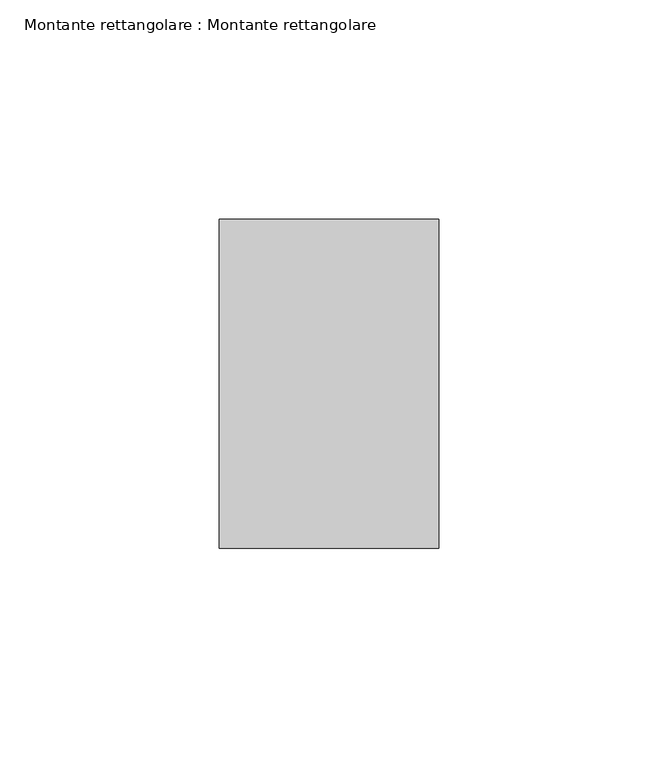
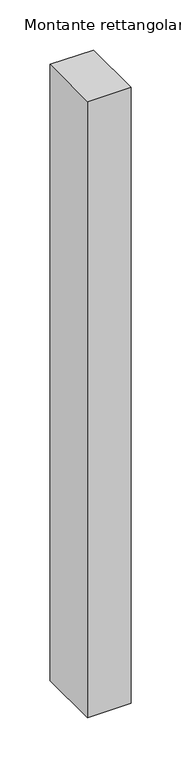
"""IFC4 building model written with IfcOpenShell, lengths in millimetres: member geometry, Montante rettangolare : Montante rettangolare."""

import ifcopenshell
import ifcopenshell.guid

model = None  # the IFC model being written
_history = None  # IfcOwnerHistory: only IFC2X3 demands one
_inside = {}  # id of a spatial element -> (the spatial element, [elements in it])
_under = {}  # id of a project, library or spatial element -> (it, [spatial elements below it])
_declared = {}  # id of a project -> (the project, [libraries it declares])
_typed = {}  # id of a type object -> (the type object, [elements of that type])
_made_of = {}  # id of a material, layer set ... -> (it, [elements and type objects made of it])


def new_model(schema):
    """Start an empty IFC model of exactly this schema.

    Asked for "IFC4X3", IfcOpenShell would pick the latest addendum, in which some entities
    have other attributes; the version numbers below select the first issue.
    IFC2X3 requires an IfcOwnerHistory on every rooted entity: one is made here for all.
    """
    global model, _history
    if schema == "IFC4X3":
        model = ifcopenshell.file(schema_version=(4, 3, 0, 0))
    else:
        model = ifcopenshell.file(schema=schema)
    _inside.clear()
    _under.clear()
    _declared.clear()
    _typed.clear()
    _made_of.clear()
    _history = None
    if model.schema == "IFC2X3":
        org = make("IfcOrganization", Name="unknown")
        user = make(
            "IfcPersonAndOrganization",
            ThePerson=make("IfcPerson", FamilyName="unknown"),
            TheOrganization=org,
        )
        app = make(
            "IfcApplication",
            ApplicationDeveloper=org,
            Version="unknown",
            ApplicationFullName="unknown",
            ApplicationIdentifier="unknown",
        )
        _history = make(
            "IfcOwnerHistory",
            OwningUser=user,
            OwningApplication=app,
            ChangeAction="ADDED",
            CreationDate=0,
        )
    return model


def make(cls, **values):
    """One entity of the class cls with the attributes given. An attribute that is None is left unset."""
    return model.create_entity(
        cls, **{name: value for name, value in values.items() if value is not None}
    )


def rooted(cls, **values):
    """An entity with a GlobalId (a new one), such as an element, a storey or a relation."""
    return make(cls, GlobalId=ifcopenshell.guid.new(), OwnerHistory=_history, **values)


def si_unit(unit_type, name, prefix=None):
    """IfcSIUnit, for example si_unit("LENGTHUNIT", "METRE", prefix="MILLI")."""
    return make("IfcSIUnit", UnitType=unit_type, Prefix=prefix, Name=name)


def assignment(units):
    """IfcUnitAssignment: the units of a project."""
    return None if units is None else make("IfcUnitAssignment", Units=units)


def point(xyz):
    """IfcCartesianPoint."""
    return None if xyz is None else make("IfcCartesianPoint", Coordinates=xyz)


def direction(xyz):
    """IfcDirection."""
    return None if xyz is None else make("IfcDirection", DirectionRatios=xyz)


def frame(location, z_axis=None, x_axis=None):
    """IfcAxis2Placement3D, a coordinate frame: its origin and axes. An axis left out is left unset."""
    return make(
        "IfcAxis2Placement3D",
        Location=point(location),
        Axis=direction(z_axis),
        RefDirection=direction(x_axis),
    )


def origin():
    """The frame at (0, 0, 0) with its axes left unset."""
    return frame((0.0, 0.0, 0.0))


def place(relative_to, where):
    """IfcLocalPlacement: puts the frame where relative to a parent placement (None: the world)."""
    return make(
        "IfcLocalPlacement", PlacementRelTo=relative_to, RelativePlacement=where
    )


def context(
    kind, dimensions, precision=None, world=None, true_north=None, identifier=None
):
    """IfcGeometricRepresentationContext, for example the 3D "Model" context."""
    return make(
        "IfcGeometricRepresentationContext",
        ContextIdentifier=identifier,
        ContextType=kind,
        CoordinateSpaceDimension=dimensions,
        Precision=precision,
        WorldCoordinateSystem=world,
        TrueNorth=true_north,
    )


def project(units=None, contexts=None):
    """IfcProject with its units and contexts."""
    return rooted(
        "IfcProject",
        Name="project",
        RepresentationContexts=contexts,
        UnitsInContext=assignment(units),
    )


def spatial(cls, under=None, at=None, **own):
    """A site, building, storey or space (cls), placed at a placement, below another one or the project."""
    s = rooted(cls, ObjectPlacement=at, **own)
    if under is not None:
        _under.setdefault(under.id(), (under, []))[1].append(s)
    return s


def faces_of(points, faces, orient=None, outer=None):
    """IfcFace entities. A face is a list of loops; a loop is a list of indices into points, from 0.

    orient and outer hold one flag for each loop. By default every Orientation is true, the
    first loop of a face is its IfcFaceOuterBound and the others are IfcFaceBound.
    """
    made = []
    for i, loops in enumerate(faces):
        bounds = []
        for j, loop in enumerate(loops):
            is_outer = j == 0 if outer is None else outer[i][j]
            bounds.append(
                make(
                    "IfcFaceOuterBound" if is_outer else "IfcFaceBound",
                    Bound=make("IfcPolyLoop", Polygon=[points[k] for k in loop]),
                    Orientation=True if orient is None else orient[i][j],
                )
            )
        made.append(make("IfcFace", Bounds=bounds))
    return made


def faceted_brep(points, faces, orient=None, outer=None, voids=None):
    """IfcFacetedBrep: a solid bounded by flat faces; with voids (closed shells), ...WithVoids."""
    shared = [point(p) for p in points]
    hull = make("IfcClosedShell", CfsFaces=faces_of(shared, faces, orient, outer))
    if voids is None:
        return make("IfcFacetedBrep", Outer=hull)
    return make(
        "IfcFacetedBrepWithVoids",
        Outer=hull,
        Voids=[
            make(cls, CfsFaces=faces_of(shared, fs, o, b)) for cls, fs, o, b in voids
        ],
    )


def shape(context_of_items, identifier, shape_type, items):
    """IfcShapeRepresentation: the items that make up one representation, for example the "Body"."""
    return make(
        "IfcShapeRepresentation",
        ContextOfItems=context_of_items,
        RepresentationIdentifier=identifier,
        RepresentationType=shape_type,
        Items=items,
    )


def source(mapping_origin, context_of_items, identifier, shape_type, items):
    """IfcRepresentationMap: a shape defined once, which mapped items show again and again."""
    return make(
        "IfcRepresentationMap",
        MappingOrigin=mapping_origin,
        MappedRepresentation=shape(context_of_items, identifier, shape_type, items),
    )


def transform(
    local_origin,
    x_axis=None,
    y_axis=None,
    z_axis=None,
    scale=None,
    scale2=None,
    scale3=None,
    uniform=True,
):
    """IfcCartesianTransformationOperator3D, or its non-uniform kind. x_axis, y_axis, z_axis: its Axis1, 2, 3."""
    if uniform:
        return make(
            "IfcCartesianTransformationOperator3D",
            Axis1=direction(x_axis),
            Axis2=direction(y_axis),
            LocalOrigin=point(local_origin),
            Scale=scale,
            Axis3=direction(z_axis),
        )
    return make(
        "IfcCartesianTransformationOperator3DnonUniform",
        Axis1=direction(x_axis),
        Axis2=direction(y_axis),
        LocalOrigin=point(local_origin),
        Scale=scale,
        Axis3=direction(z_axis),
        Scale2=scale2,
        Scale3=scale3,
    )


def mapped(mapping_source, mapping_target):
    """IfcMappedItem: shows the shape of a source again, moved by a transform."""
    return make(
        "IfcMappedItem", MappingSource=mapping_source, MappingTarget=mapping_target
    )


def made_of(thing, what):
    """Note that an element or type object is made of a material, layer set ...; save() writes the relation."""
    if what is not None:
        _made_of.setdefault(what.id(), (what, []))[1].append(thing)
    return thing


def element(
    cls,
    number,
    at=None,
    inside=None,
    cuts=None,
    type_object=None,
    material=None,
    context=None,
    identifier="Body",
    shape_type=None,
    held_by="IfcProductDefinitionShape",
    body=None,
    shapes=None,
    **own,
):
    """One element of the class cls, such as IfcWall. Its Tag is "e" and its number.

    at: its placement. inside: the storey or other place that contains it. cuts: it is an
    opening in that element (IfcRelVoidsElement). A single representation is given by context,
    identifier, shape_type and body (its items); several are given by shapes. held_by: the class
    of the entity that holds the representations. save() writes the other relations.
    """
    e = rooted(cls, Tag="e%d" % number, ObjectPlacement=at, **own)
    if body is not None:
        shapes = [shape(context, identifier, shape_type, body)]
    if shapes is not None:
        e.Representation = make(held_by, Representations=shapes)
    if inside is not None:
        _inside.setdefault(inside.id(), (inside, []))[1].append(e)
    if cuts is not None:
        rooted(
            "IfcRelVoidsElement", RelatingBuildingElement=cuts, RelatedOpeningElement=e
        )
    if type_object is not None:
        _typed.setdefault(type_object.id(), (type_object, []))[1].append(e)
    return made_of(e, material)


def aggregate(whole, parts):
    """IfcRelAggregates: a whole, such as a stair, and the parts it consists of."""
    return rooted("IfcRelAggregates", RelatingObject=whole, RelatedObjects=parts)


def save(model, path):
    """Write the relations noted so far, then the file.

    IfcRelAggregates (storeys below a building ...), IfcRelContainedInSpatialStructure (elements
    in a storey), IfcRelDefinesByType, IfcRelAssociatesMaterial and IfcRelDeclares: one each for
    every whole, place, type object, material and project.
    """
    for whole, parts in _under.values():
        aggregate(whole, parts)
    for where, things in _inside.values():
        rooted(
            "IfcRelContainedInSpatialStructure",
            RelatedElements=things,
            RelatingStructure=where,
        )
    for kind, things in _typed.values():
        rooted("IfcRelDefinesByType", RelatedObjects=things, RelatingType=kind)
    for what, things in _made_of.values():
        rooted("IfcRelAssociatesMaterial", RelatedObjects=things, RelatingMaterial=what)
    for by, libraries in _declared.values():
        rooted("IfcRelDeclares", RelatingContext=by, RelatedDefinitions=libraries)
    model.write(path)


def montante_rettangolare_montante_rettangolare_4dfb8af7(model_context):
    return source(origin(), model_context, "Body", "Brep", [
        faceted_brep([(0.0, 37.5, 0.0), (-50.0, 37.5, 0.0), (-50.0, -37.5, 0.0), (0.0, -37.5, 0.0), (0.0, 37.5, -750.1684832), (-50.0, 37.5, -750.1684832), (-50.0, -37.3871924, -749.831702), (0.0, -37.5, -749.8311947)], [[[0, 1, 2, 3]], [[1, 0, 4, 5]], [[2, 1, 5, 6]], [[3, 2, 6, 7]], [[0, 3, 7, 4]], [[4, 7, 6, 5]]]),
    ])


if __name__ == "__main__":
    model = new_model("IFC4")
    model_context = context("Model", 3, world=origin())
    ifc_project = project(units=[si_unit("LENGTHUNIT", "METRE", prefix="MILLI")], contexts=[model_context])
    site = spatial("IfcSite", under=ifc_project)
    building = spatial("IfcBuilding", under=site)
    placement = place(None, origin())
    montante_rettangolare_montante_rettangolare_shape = montante_rettangolare_montante_rettangolare_4dfb8af7(model_context)
    element("IfcMember", 1, ObjectType="Montante rettangolare : Montante rettangolare", at=placement, inside=building, context=model_context, shape_type="MappedRepresentation", body=[
        mapped(montante_rettangolare_montante_rettangolare_shape, transform((0.0, 0.0, 0.0), x_axis=(1.0, 0.0, 0.0), y_axis=(0.0, 1.0, 0.0), z_axis=(0.0, 0.0, 1.0))),
    ])
    save(model, "model.ifc")
